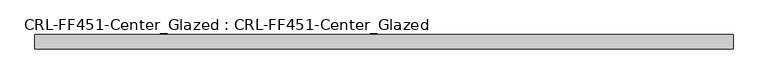
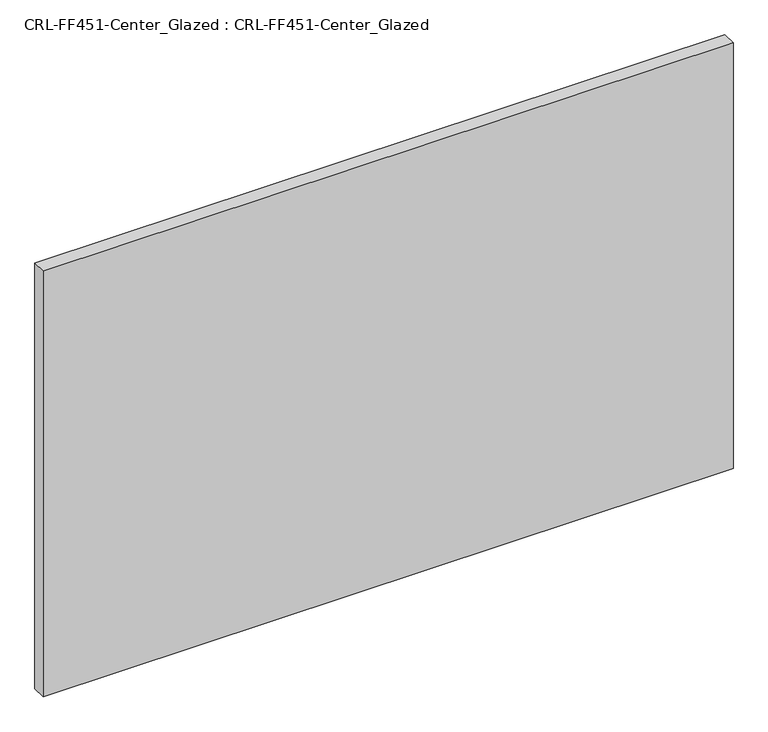
"""IFC4 building model written with IfcOpenShell, lengths in millimetres: plate geometry, CRL-FF451-Center_Glazed : CRL-FF451-Center_Glazed."""

from ifc_helpers import new_model, si_unit, origin, origin_with_axes, place, context, project, spatial, polyline, outline, extrude, source, transform, mapped, element, save


def crl_ff451_center_glazed_crl_ff451_center_glazed_5d4c3cce(model_context):
    return source(origin(), model_context, "Body", "SweptSolid", [
        extrude(outline(polyline([(-624.9392041, -12.709956), (-624.9392041, 12.709956), (624.9392041, 12.709956), (624.9392041, -12.709956), (-624.9392041, -12.709956)])), origin_with_axes(), (0.0, 0.0, 1.0), 815.1595339),
    ])


if __name__ == "__main__":
    model = new_model("IFC4")
    model_context = context("Model", 3, world=origin())
    ifc_project = project(units=[si_unit("LENGTHUNIT", "METRE", prefix="MILLI")], contexts=[model_context])
    site = spatial("IfcSite", under=ifc_project)
    building = spatial("IfcBuilding", under=site)
    placement = place(None, origin())
    crl_ff451_center_glazed_crl_ff451_center_glazed_shape = crl_ff451_center_glazed_crl_ff451_center_glazed_5d4c3cce(model_context)
    element("IfcPlate", 1, ObjectType="CRL-FF451-Center_Glazed : CRL-FF451-Center_Glazed", at=placement, inside=building, context=model_context, shape_type="MappedRepresentation", body=[
        mapped(crl_ff451_center_glazed_crl_ff451_center_glazed_shape, transform((0.0, 0.0, 0.0), x_axis=(1.0, 0.0, 0.0), y_axis=(0.0, 1.0, 0.0), z_axis=(0.0, 0.0, 1.0))),
    ])
    save(model, "model.ifc")
